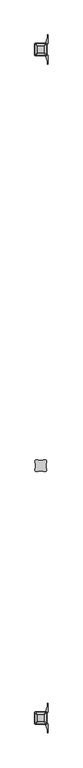
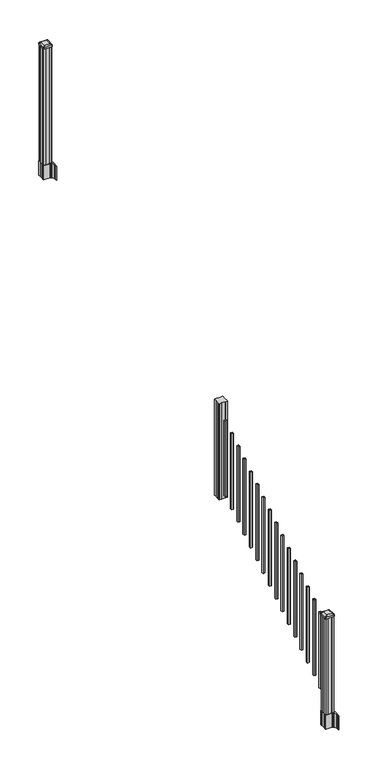
"""IFC4 building model written with IfcOpenShell, lengths in millimetres: railing geometry."""

from ifc_helpers import new_model, si_unit, point, frame, frame_2d, origin, place, context, project, spatial, polyline, circle_curve, trimmed, segment, composite_curve, outline, extrude, source, transform, mapped, element, save
from ifc_brep_helpers import plane_surface, extruded_surface, advanced_brep


def railing_b894f63a(model_context):
    return source(origin(), model_context, "Body", "SolidModel", [
        extrude(outline(polyline([(7521.1958284, -5880.2624681), (7501.5743284, -5880.2624681), (7500.8123284, -5878.6749681), (7462.2043284, -5878.6749681), (7461.4423284, -5880.2624681), (7441.8208284, -5880.2624681), (7440.2333284, -5878.6749681), (7440.2333284, -5859.0534681), (7441.8208284, -5858.2914681), (7441.8208284, -5819.6834681), (7440.2333284, -5818.9214681), (7440.2333284, -5799.2999681), (7441.8208284, -5797.7124681), (7461.4423284, -5797.7124681), (7462.2043284, -5799.2999681), (7500.8123284, -5799.2999681), (7501.5743284, -5797.7124681), (7521.1958284, -5797.7124681), (7522.7833284, -5799.2999681), (7522.7833284, -5818.9214681), (7521.1958284, -5819.6834681), (7521.1958284, -5858.2914681), (7522.7833284, -5859.0534681), (7522.7833284, -5878.6749681), (7521.1958284, -5880.2624681)])), frame((0.0, 0.0, 1334.77), z_axis=(0.0, 0.0, 1.0), x_axis=(1.0, 0.0, 0.0)), (0.0, 0.0, 1.0), 1031.364263),
        extrude(outline(polyline([(7471.9833284, -5929.5384681), (7471.9833284, -5910.4884681), (7491.0333284, -5910.4884681), (7491.0333284, -5929.5384681), (7471.9833284, -5929.5384681)]), holes=[polyline([(7472.3802034, -5929.1415931), (7490.6364534, -5929.1415931), (7490.6364534, -5910.8853431), (7472.3802034, -5910.8853431), (7472.3802034, -5929.1415931)])]), frame((0.0, 0.0, 1385.7246281), z_axis=(0.0, 0.0, 1.0), x_axis=(1.0, 0.0, 0.0)), (0.0, 0.0, 1.0), 812.8041219),
        extrude(outline(polyline([(7471.9833284, -6040.7904681), (7471.9833284, -6021.7404681), (7491.0333284, -6021.7404681), (7491.0333284, -6040.7904681), (7471.9833284, -6040.7904681)]), holes=[polyline([(7472.3802034, -6040.3935931), (7490.6364534, -6040.3935931), (7490.6364534, -6022.1373431), (7472.3802034, -6022.1373431), (7472.3802034, -6040.3935931)])]), frame((0.0, 0.0, 1316.1921281), z_axis=(0.0, 0.0, 1.0), x_axis=(1.0, 0.0, 0.0)), (0.0, 0.0, 1.0), 812.8041219),
        extrude(outline(polyline([(7471.9833284, -6152.0424681), (7471.9833284, -6132.9924681), (7491.0333284, -6132.9924681), (7491.0333284, -6152.0424681), (7471.9833284, -6152.0424681)]), holes=[polyline([(7472.3802034, -6151.6455931), (7490.6364534, -6151.6455931), (7490.6364534, -6133.3893431), (7472.3802034, -6133.3893431), (7472.3802034, -6151.6455931)])]), frame((0.0, 0.0, 1246.6596281), z_axis=(0.0, 0.0, 1.0), x_axis=(1.0, 0.0, 0.0)), (0.0, 0.0, 1.0), 812.8041219),
        extrude(outline(polyline([(7471.9833284, -6263.2944681), (7471.9833284, -6244.2444681), (7491.0333284, -6244.2444681), (7491.0333284, -6263.2944681), (7471.9833284, -6263.2944681)]), holes=[polyline([(7472.3802034, -6262.8975931), (7490.6364534, -6262.8975931), (7490.6364534, -6244.6413431), (7472.3802034, -6244.6413431), (7472.3802034, -6262.8975931)])]), frame((0.0, 0.0, 1177.1271281), z_axis=(0.0, 0.0, 1.0), x_axis=(1.0, 0.0, 0.0)), (0.0, 0.0, 1.0), 812.8041219),
        extrude(outline(polyline([(7471.9833284, -6374.5464681), (7471.9833284, -6355.4964681), (7491.0333284, -6355.4964681), (7491.0333284, -6374.5464681), (7471.9833284, -6374.5464681)]), holes=[polyline([(7472.3802034, -6374.1495931), (7490.6364534, -6374.1495931), (7490.6364534, -6355.8933431), (7472.3802034, -6355.8933431), (7472.3802034, -6374.1495931)])]), frame((0.0, 0.0, 1107.5946281), z_axis=(0.0, 0.0, 1.0), x_axis=(1.0, 0.0, 0.0)), (0.0, 0.0, 1.0), 812.8041219),
        extrude(outline(polyline([(7471.9833284, -6485.7984681), (7471.9833284, -6466.7484681), (7491.0333284, -6466.7484681), (7491.0333284, -6485.7984681), (7471.9833284, -6485.7984681)]), holes=[polyline([(7472.3802034, -6485.4015931), (7490.6364534, -6485.4015931), (7490.6364534, -6467.1453431), (7472.3802034, -6467.1453431), (7472.3802034, -6485.4015931)])]), frame((0.0, 0.0, 1038.0621281), z_axis=(0.0, 0.0, 1.0), x_axis=(1.0, 0.0, 0.0)), (0.0, 0.0, 1.0), 812.8041219),
        extrude(outline(polyline([(7471.9833284, -6597.0504681), (7471.9833284, -6578.0004681), (7491.0333284, -6578.0004681), (7491.0333284, -6597.0504681), (7471.9833284, -6597.0504681)]), holes=[polyline([(7472.3802034, -6596.6535931), (7490.6364534, -6596.6535931), (7490.6364534, -6578.3973431), (7472.3802034, -6578.3973431), (7472.3802034, -6596.6535931)])]), frame((0.0, 0.0, 968.5296281), z_axis=(0.0, 0.0, 1.0), x_axis=(1.0, 0.0, 0.0)), (0.0, 0.0, 1.0), 812.8041219),
        extrude(outline(polyline([(7471.9833284, -6708.3024681), (7471.9833284, -6689.2524681), (7491.0333284, -6689.2524681), (7491.0333284, -6708.3024681), (7471.9833284, -6708.3024681)]), holes=[polyline([(7472.3802034, -6707.9055931), (7490.6364534, -6707.9055931), (7490.6364534, -6689.6493431), (7472.3802034, -6689.6493431), (7472.3802034, -6707.9055931)])]), frame((0.0, 0.0, 898.9971281), z_axis=(0.0, 0.0, 1.0), x_axis=(1.0, 0.0, 0.0)), (0.0, 0.0, 1.0), 812.8041219),
        extrude(outline(polyline([(7471.9833284, -6819.5544681), (7471.9833284, -6800.5044681), (7491.0333284, -6800.5044681), (7491.0333284, -6819.5544681), (7471.9833284, -6819.5544681)]), holes=[polyline([(7472.3802034, -6819.1575931), (7490.6364534, -6819.1575931), (7490.6364534, -6800.9013431), (7472.3802034, -6800.9013431), (7472.3802034, -6819.1575931)])]), frame((0.0, 0.0, 829.4646281), z_axis=(0.0, 0.0, 1.0), x_axis=(1.0, 0.0, 0.0)), (0.0, 0.0, 1.0), 812.8041219),
        extrude(outline(polyline([(7471.9833284, -6930.8064681), (7471.9833284, -6911.7564681), (7491.0333284, -6911.7564681), (7491.0333284, -6930.8064681), (7471.9833284, -6930.8064681)]), holes=[polyline([(7472.3802034, -6930.4095931), (7490.6364534, -6930.4095931), (7490.6364534, -6912.1533431), (7472.3802034, -6912.1533431), (7472.3802034, -6930.4095931)])]), frame((0.0, 0.0, 759.9321281), z_axis=(0.0, 0.0, 1.0), x_axis=(1.0, 0.0, 0.0)), (0.0, 0.0, 1.0), 812.8041219),
        extrude(outline(polyline([(7471.9833284, -7042.0584681), (7471.9833284, -7023.0084681), (7491.0333284, -7023.0084681), (7491.0333284, -7042.0584681), (7471.9833284, -7042.0584681)]), holes=[polyline([(7472.3802034, -7041.6615931), (7490.6364534, -7041.6615931), (7490.6364534, -7023.4053431), (7472.3802034, -7023.4053431), (7472.3802034, -7041.6615931)])]), frame((0.0, 0.0, 690.3996281), z_axis=(0.0, 0.0, 1.0), x_axis=(1.0, 0.0, 0.0)), (0.0, 0.0, 1.0), 812.8041219),
        extrude(outline(polyline([(7471.9833284, -7153.3104681), (7471.9833284, -7134.2604681), (7491.0333284, -7134.2604681), (7491.0333284, -7153.3104681), (7471.9833284, -7153.3104681)]), holes=[polyline([(7472.3802034, -7152.9135931), (7490.6364534, -7152.9135931), (7490.6364534, -7134.6573431), (7472.3802034, -7134.6573431), (7472.3802034, -7152.9135931)])]), frame((0.0, 0.0, 620.8671281), z_axis=(0.0, 0.0, 1.0), x_axis=(1.0, 0.0, 0.0)), (0.0, 0.0, 1.0), 812.8041219),
        extrude(outline(polyline([(7471.9833284, -7264.5624681), (7471.9833284, -7245.5124681), (7491.0333284, -7245.5124681), (7491.0333284, -7264.5624681), (7471.9833284, -7264.5624681)]), holes=[polyline([(7472.3802034, -7264.1655931), (7490.6364534, -7264.1655931), (7490.6364534, -7245.9093431), (7472.3802034, -7245.9093431), (7472.3802034, -7264.1655931)])]), frame((0.0, 0.0, 551.3346281), z_axis=(0.0, 0.0, 1.0), x_axis=(1.0, 0.0, 0.0)), (0.0, 0.0, 1.0), 812.8041219),
        extrude(outline(polyline([(7471.9833284, -7375.8144681), (7471.9833284, -7356.7644681), (7491.0333284, -7356.7644681), (7491.0333284, -7375.8144681), (7471.9833284, -7375.8144681)]), holes=[polyline([(7472.3802034, -7375.4175931), (7490.6364534, -7375.4175931), (7490.6364534, -7357.1613431), (7472.3802034, -7357.1613431), (7472.3802034, -7375.4175931)])]), frame((0.0, 0.0, 481.8021281), z_axis=(0.0, 0.0, 1.0), x_axis=(1.0, 0.0, 0.0)), (0.0, 0.0, 1.0), 812.8041219),
        extrude(outline(polyline([(7471.9833284, -7487.0664681), (7471.9833284, -7468.0164681), (7491.0333284, -7468.0164681), (7491.0333284, -7487.0664681), (7471.9833284, -7487.0664681)]), holes=[polyline([(7472.3802034, -7486.6695931), (7490.6364534, -7486.6695931), (7490.6364534, -7468.4133431), (7472.3802034, -7468.4133431), (7472.3802034, -7486.6695931)])]), frame((0.0, 0.0, 412.2696281), z_axis=(0.0, 0.0, 1.0), x_axis=(1.0, 0.0, 0.0)), (0.0, 0.0, 1.0), 812.8041219),
        extrude(outline(polyline([(7471.9833284, -7598.3184681), (7471.9833284, -7579.2684681), (7491.0333284, -7579.2684681), (7491.0333284, -7598.3184681), (7471.9833284, -7598.3184681)]), holes=[polyline([(7472.3802034, -7597.9215931), (7490.6364534, -7597.9215931), (7490.6364534, -7579.6653431), (7472.3802034, -7579.6653431), (7472.3802034, -7597.9215931)])]), frame((0.0, 0.0, 342.7371281), z_axis=(0.0, 0.0, 1.0), x_axis=(1.0, 0.0, 0.0)), (0.0, 0.0, 1.0), 812.8041219),
        extrude(outline(polyline([(7521.1958284, -2792.8924681), (7501.5743284, -2792.8924681), (7500.8123284, -2791.3049681), (7462.2043284, -2791.3049681), (7461.4423284, -2792.8924681), (7441.8208284, -2792.8924681), (7440.2333284, -2791.3049681), (7440.2333284, -2771.6834681), (7441.8208284, -2770.9214681), (7441.8208284, -2732.3134681), (7440.2333284, -2731.5514681), (7440.2333284, -2711.9299681), (7441.8208284, -2710.3424681), (7461.4423284, -2710.3424681), (7462.2043284, -2711.9299681), (7500.8123284, -2711.9299681), (7501.5743284, -2710.3424681), (7521.1958284, -2710.3424681), (7522.7833284, -2711.9299681), (7522.7833284, -2731.5514681), (7521.1958284, -2732.3134681), (7521.1958284, -2770.9214681), (7522.7833284, -2771.6834681), (7522.7833284, -2791.3049681), (7521.1958284, -2792.8924681)])), frame((0.0, 0.0, 3048.0), z_axis=(0.0, 0.0, 1.0), x_axis=(1.0, 0.0, 0.0)), (0.0, 0.0, 1.0), 1247.740513),
        extrude(outline(composite_curve([segment(polyline([(7438.7728284, -2769.003563), (7438.7728284, -2734.2313732), (7437.1853284, -2733.4693732), (7437.1853284, -2710.6674452), (7440.5583054, -2707.2944681), (7502.0179763, -2707.2944681), (7502.0179763, -2706.3737181), (7507.3355201, -2706.3737181), (7507.3355201, -2704.9194634), (7512.4200498, -2704.9194634), (7512.4200498, -2703.6354396), (7514.0873221, -2703.6354396)]), True, "CONTINUOUS"), segment(trimmed(circle_curve(frame_2d((7514.0873221, -2696.5759797)), 7.0594599), [point((7514.0873221, -2703.6354396))], [point((7520.8545849, -2698.5859864))], True, "CARTESIAN"), True, "CONTINUOUS"), segment(polyline([(7520.8545849, -2698.5859864), (7528.7287792, -2672.0752573)]), True, "CONTINUOUS"), segment(trimmed(circle_curve(frame_2d((7473.9442659, -2655.8032076)), 57.15), [point((7528.7287792, -2672.0752573))], [point((7531.0942659, -2655.8032076))], True, "CARTESIAN"), True, "CONTINUOUS"), segment(polyline([(7531.0942659, -2655.8032076), (7531.0942659, -2643.7944681), (7534.0942659, -2643.7944681), (7534.0942659, -2708.8819681), (7525.8313284, -2720.2202594), (7525.8313284, -2733.4693732), (7524.2438284, -2734.2313732), (7524.2438284, -2769.003563), (7525.8313284, -2769.765563), (7525.8313284, -2783.0146768), (7534.0942659, -2794.3529681), (7534.0942659, -2859.4404681), (7531.0942659, -2859.4404681), (7531.0942659, -2847.4317285)]), True, "CONTINUOUS"), segment(trimmed(circle_curve(frame_2d((7473.9442659, -2847.4317285)), 57.15), [point((7531.0942659, -2847.4317285))], [point((7528.7287792, -2831.1596789))], True, "CARTESIAN"), True, "CONTINUOUS"), segment(polyline([(7528.7287792, -2831.1596789), (7520.8545849, -2804.6489498)]), True, "CONTINUOUS"), segment(trimmed(circle_curve(frame_2d((7514.0873221, -2806.6589565)), 7.0594599), [point((7520.8545849, -2804.6489498))], [point((7514.0873221, -2799.5994966))], True, "CARTESIAN"), True, "CONTINUOUS"), segment(polyline([(7514.0873221, -2799.5994966), (7512.4200498, -2799.5994966), (7512.4200498, -2798.3154728), (7507.3355201, -2798.3154728), (7507.3355201, -2796.8612181), (7502.0179763, -2796.8612181), (7502.0179763, -2795.9404681), (7440.5583054, -2795.9404681), (7437.1853284, -2792.567491), (7437.1853284, -2769.765563), (7438.7728284, -2769.003563)]), True, "CONTINUOUS")], self_intersect=False), holes=[polyline([(7522.7833284, -2711.9299681), (7521.1958284, -2710.3424681), (7484.2715458, -2710.3424681), (7441.8208284, -2710.3424681), (7440.2333284, -2711.9299681), (7440.2333284, -2791.3049681), (7441.8208284, -2792.8924681), (7484.2715458, -2792.8924681), (7521.1958284, -2792.8924681), (7522.7833284, -2791.3049681), (7522.7833284, -2711.9299681)])]), frame((0.0, 0.0, 2895.6), z_axis=(0.0, 0.0, 1.0), x_axis=(1.0, 0.0, 0.0)), (0.0, 0.0, 1.0), 152.4),
        advanced_brep(
        [(7507.3052034, -2780.5893431, 4324.315513), (7510.4802034, -2777.4143431, 4324.315513), (7510.4802034, -2725.8205931, 4324.315513), (7507.3052034, -2722.6455931, 4324.315513), (7455.7114534, -2722.6455931, 4324.315513), (7452.5364534, -2725.8205931, 4324.315513), (7452.5364534, -2777.4143431, 4324.315513), (7455.7114534, -2780.5893431, 4324.315513), (7523.5770784, -2796.8612181, 4313.012513), (7439.4395784, -2796.8612181, 4313.012513), (7436.2645784, -2793.6862181, 4313.012513), (7436.2645784, -2709.5487181, 4313.012513), (7439.4395784, -2706.3737181, 4313.012513), (7523.5770784, -2706.3737181, 4313.012513), (7526.7520784, -2709.5487181, 4313.012513), (7526.7520784, -2793.6862181, 4313.012513)],
        [
            (0, 1, circle_curve(frame((7507.3052034, -2777.4143431, 4324.315513), z_axis=(0.0, 0.0, 1.0), x_axis=(0.0, 1.0, 0.0)), 3.175)),
            (1, 2),
            (2, 3, circle_curve(frame((7507.3052034, -2725.8205931, 4324.315513), z_axis=(0.0, 0.0, 1.0), x_axis=(0.0, 1.0, 0.0)), 3.175)),
            (3, 4),
            (4, 5, circle_curve(frame((7455.7114534, -2725.8205931, 4324.315513), z_axis=(0.0, 0.0, 1.0), x_axis=(0.0, 1.0, 0.0)), 3.175)),
            (5, 6),
            (6, 7, circle_curve(frame((7455.7114534, -2777.4143431, 4324.315513), z_axis=(0.0, 0.0, 1.0), x_axis=(0.0, 1.0, 0.0)), 3.175)),
            (7, 0),
            (8, 9),
            (9, 10, circle_curve(frame((7439.4395784, -2793.6862181, 4313.012513), z_axis=(0.0, 0.0, -1.0), x_axis=(0.0, 1.0, 0.0)), 3.175)),
            (10, 11),
            (11, 12, circle_curve(frame((7439.4395784, -2709.5487181, 4313.012513), z_axis=(0.0, 0.0, -1.0), x_axis=(0.0, 1.0, 0.0)), 3.175)),
            (12, 13),
            (13, 14, circle_curve(frame((7523.5770784, -2709.5487181, 4313.012513), z_axis=(0.0, 0.0, -1.0), x_axis=(0.0, 1.0, 0.0)), 3.175)),
            (14, 15),
            (15, 8, circle_curve(frame((7523.5770784, -2793.6862181, 4313.012513), z_axis=(0.0, 0.0, -1.0), x_axis=(0.0, 1.0, 0.0)), 3.175)),
            (15, 1),
            (0, 8),
            (14, 2),
            (13, 3),
            (12, 4),
            (11, 5),
            (10, 6),
            (9, 7),
        ],
        [
            plane_surface(frame((7481.5083284, -2751.6174681, 4324.315513), z_axis=(0.0, 0.0, 1.0), x_axis=(1.0, 0.0, 0.0))),
            plane_surface(frame((7481.5083284, -2751.6174681, 4313.012513), z_axis=(0.0, 0.0, -1.0), x_axis=(1.0, 0.0, 0.0))),
            extruded_surface(trimmed(circle_curve(frame((7523.5770784, -2793.6862181, 4313.012513), z_axis=(0.0, 0.0, 1.0), x_axis=(0.0, 1.0, 0.0)), 3.175), [point((7523.5770784, -2796.8612181, 4313.012513))], [point((7526.7520784, -2793.6862181, 4313.012513))], True, "CARTESIAN"), (-16.271874999999454, 16.27187499999991, 11.302999999999884), 25.63797263886571),
            plane_surface(frame((7526.7520784, -2751.6174681, 4313.012513), z_axis=(0.5705009161540687, 0.0, 0.8212969649690472), x_axis=(0.0, 1.0, 0.0))),
            extruded_surface(trimmed(circle_curve(frame((7523.5770784, -2709.5487181, 4313.012513), z_axis=(0.0, 0.0, 1.0), x_axis=(0.0, 1.0, 0.0)), 3.175), [point((7526.7520784, -2709.5487181, 4313.012513))], [point((7523.5770784, -2706.3737181, 4313.012513))], True, "CARTESIAN"), (-16.271874999999454, -16.271875000000364, 11.302999999999884), 25.637972638865996),
            plane_surface(frame((7481.5083284, -2706.3737181, 4313.012513), z_axis=(0.0, 0.5705009161540291, 0.8212969649690747), x_axis=(-1.0, 0.0, 0.0))),
            extruded_surface(trimmed(circle_curve(frame((7439.4395784, -2709.5487181, 4313.012513), z_axis=(0.0, 0.0, 1.0), x_axis=(0.0, 1.0, 0.0)), 3.175), [point((7439.4395784, -2706.3737181, 4313.012513))], [point((7436.2645784, -2709.5487181, 4313.012513))], True, "CARTESIAN"), (16.271875000000364, -16.271875000000364, 11.302999999999884), 25.63797263886657),
            plane_surface(frame((7436.2645784, -2751.6174681, 4313.012513), z_axis=(-0.5705009161540233, 0.0, 0.8212969649690787), x_axis=(0.0, -1.0, 0.0))),
            extruded_surface(trimmed(circle_curve(frame((7439.4395784, -2793.6862181, 4313.012513), z_axis=(0.0, 0.0, 1.0), x_axis=(0.0, 1.0, 0.0)), 3.175), [point((7436.2645784, -2793.6862181, 4313.012513))], [point((7439.4395784, -2796.8612181, 4313.012513))], True, "CARTESIAN"), (16.271875000000364, 16.27187499999991, 11.302999999999884), 25.637972638866284),
            plane_surface(frame((7481.5083284, -2796.8612181, 4313.012513), z_axis=(0.0, -0.570500916154034, 0.8212969649690713), x_axis=(1.0, 0.0, 0.0))),
        ],
        [
            (0, [[1, 2, 3, 4, 5, 6, 7, 8]]),
            (1, [[9, 10, 11, 12, 13, 14, 15, 16]]),
            (2, [[-16, 17, -1, 18]]),
            (3, [[-15, 19, -2, -17]]),
            (4, [[-14, 20, -3, -19]]),
            (5, [[-13, 21, -4, -20]]),
            (6, [[-12, 22, -5, -21]]),
            (7, [[-11, 23, -6, -22]]),
            (8, [[-10, 24, -7, -23]]),
            (9, [[-9, -18, -8, -24]]),
        ],
    ),
        extrude(outline(composite_curve([segment(polyline([(7523.5770784, -2796.8612181), (7439.4395784, -2796.8612181)]), True, "CONTINUOUS"), segment(trimmed(circle_curve(frame_2d((7439.4395784, -2793.6862181)), 3.175), [point((7439.4395784, -2796.8612181))], [point((7436.2645784, -2793.6862181))], False, "CARTESIAN"), True, "CONTINUOUS"), segment(polyline([(7436.2645784, -2793.6862181), (7436.2645784, -2709.5487181)]), True, "CONTINUOUS"), segment(trimmed(circle_curve(frame_2d((7439.4395784, -2709.5487181)), 3.175), [point((7436.2645784, -2709.5487181))], [point((7439.4395784, -2706.3737181))], False, "CARTESIAN"), True, "CONTINUOUS"), segment(polyline([(7439.4395784, -2706.3737181), (7523.5770784, -2706.3737181)]), True, "CONTINUOUS"), segment(trimmed(circle_curve(frame_2d((7523.5770784, -2709.5487181)), 3.175), [point((7523.5770784, -2706.3737181))], [point((7526.7520784, -2709.5487181))], False, "CARTESIAN"), True, "CONTINUOUS"), segment(polyline([(7526.7520784, -2709.5487181), (7526.7520784, -2793.6862181)]), True, "CONTINUOUS"), segment(trimmed(circle_curve(frame_2d((7523.5770784, -2793.6862181)), 3.175), [point((7526.7520784, -2793.6862181))], [point((7523.5770784, -2796.8612181))], False, "CARTESIAN"), True, "CONTINUOUS")], self_intersect=False)), frame((0.0, 0.0, 4295.740513), z_axis=(0.0, 0.0, 1.0), x_axis=(1.0, 0.0, 0.0)), (0.0, 0.0, 1.0), 17.272),
        extrude(outline(composite_curve([segment(polyline([(7438.7728284, -7728.607563), (7438.7728284, -7693.8353732), (7437.1853284, -7693.0733732), (7437.1853284, -7670.2714452), (7440.5583054, -7666.8984681), (7502.0179763, -7666.8984681), (7502.0179763, -7665.9777181), (7507.3355201, -7665.9777181), (7507.3355201, -7664.5234634), (7512.4200498, -7664.5234634), (7512.4200498, -7663.2394396), (7514.0873221, -7663.2394396)]), True, "CONTINUOUS"), segment(trimmed(circle_curve(frame_2d((7514.0873221, -7656.1799797)), 7.0594599), [point((7514.0873221, -7663.2394396))], [point((7520.8545849, -7658.1899864))], True, "CARTESIAN"), True, "CONTINUOUS"), segment(polyline([(7520.8545849, -7658.1899864), (7528.7287792, -7631.6792573)]), True, "CONTINUOUS"), segment(trimmed(circle_curve(frame_2d((7473.9442659, -7615.4072076)), 57.15), [point((7528.7287792, -7631.6792573))], [point((7531.0942659, -7615.4072076))], True, "CARTESIAN"), True, "CONTINUOUS"), segment(polyline([(7531.0942659, -7615.4072076), (7531.0942659, -7603.3984681), (7534.0942659, -7603.3984681), (7534.0942659, -7668.4859681), (7525.8313284, -7679.8242594), (7525.8313284, -7693.0733732), (7524.2438284, -7693.8353732), (7524.2438284, -7728.607563), (7525.8313284, -7729.369563), (7525.8313284, -7742.6186768), (7534.0942659, -7753.9569681), (7534.0942659, -7819.0444681), (7531.0942659, -7819.0444681), (7531.0942659, -7807.0357285)]), True, "CONTINUOUS"), segment(trimmed(circle_curve(frame_2d((7473.9442659, -7807.0357285)), 57.15), [point((7531.0942659, -7807.0357285))], [point((7528.7287792, -7790.7636789))], True, "CARTESIAN"), True, "CONTINUOUS"), segment(polyline([(7528.7287792, -7790.7636789), (7520.8545849, -7764.2529498)]), True, "CONTINUOUS"), segment(trimmed(circle_curve(frame_2d((7514.0873221, -7766.2629565)), 7.0594599), [point((7520.8545849, -7764.2529498))], [point((7514.0873221, -7759.2034966))], True, "CARTESIAN"), True, "CONTINUOUS"), segment(polyline([(7514.0873221, -7759.2034966), (7512.4200498, -7759.2034966), (7512.4200498, -7757.9194728), (7507.3355201, -7757.9194728), (7507.3355201, -7756.4652181), (7502.0179763, -7756.4652181), (7502.0179763, -7755.5444681), (7440.5583054, -7755.5444681), (7437.1853284, -7752.171491), (7437.1853284, -7729.369563), (7438.7728284, -7728.607563)]), True, "CONTINUOUS")], self_intersect=False), holes=[polyline([(7522.7833284, -7671.5339681), (7521.1958284, -7669.9464681), (7484.2715458, -7669.9464681), (7441.8208284, -7669.9464681), (7440.2333284, -7671.5339681), (7440.2333284, -7750.9089681), (7441.8208284, -7752.4964681), (7484.2715458, -7752.4964681), (7521.1958284, -7752.4964681), (7522.7833284, -7750.9089681), (7522.7833284, -7671.5339681)])]), frame((0.0, 0.0, 12.22375), z_axis=(0.0, 0.0, 1.0), x_axis=(1.0, 0.0, 0.0)), (0.0, 0.0, 1.0), 152.4),
        advanced_brep(
        [(7507.3052034, -7740.1933431, 1224.563013), (7510.4802034, -7737.0183431, 1224.563013), (7510.4802034, -7685.4245931, 1224.563013), (7507.3052034, -7682.2495931, 1224.563013), (7455.7114534, -7682.2495931, 1224.563013), (7452.5364534, -7685.4245931, 1224.563013), (7452.5364534, -7737.0183431, 1224.563013), (7455.7114534, -7740.1933431, 1224.563013), (7523.5770784, -7756.4652181, 1213.260013), (7439.4395784, -7756.4652181, 1213.260013), (7436.2645784, -7753.2902181, 1213.260013), (7436.2645784, -7669.1527181, 1213.260013), (7439.4395784, -7665.9777181, 1213.260013), (7523.5770784, -7665.9777181, 1213.260013), (7526.7520784, -7669.1527181, 1213.260013), (7526.7520784, -7753.2902181, 1213.260013)],
        [
            (0, 1, circle_curve(frame((7507.3052034, -7737.0183431, 1224.563013), z_axis=(0.0, 0.0, 1.0), x_axis=(0.0, 1.0, 0.0)), 3.175)),
            (1, 2),
            (2, 3, circle_curve(frame((7507.3052034, -7685.4245931, 1224.563013), z_axis=(0.0, 0.0, 1.0), x_axis=(0.0, 1.0, 0.0)), 3.175)),
            (3, 4),
            (4, 5, circle_curve(frame((7455.7114534, -7685.4245931, 1224.563013), z_axis=(0.0, 0.0, 1.0), x_axis=(0.0, 1.0, 0.0)), 3.175)),
            (5, 6),
            (6, 7, circle_curve(frame((7455.7114534, -7737.0183431, 1224.563013), z_axis=(0.0, 0.0, 1.0), x_axis=(0.0, 1.0, 0.0)), 3.175)),
            (7, 0),
            (8, 9),
            (9, 10, circle_curve(frame((7439.4395784, -7753.2902181, 1213.260013), z_axis=(0.0, 0.0, -1.0), x_axis=(0.0, 1.0, 0.0)), 3.175)),
            (10, 11),
            (11, 12, circle_curve(frame((7439.4395784, -7669.1527181, 1213.260013), z_axis=(0.0, 0.0, -1.0), x_axis=(0.0, 1.0, 0.0)), 3.175)),
            (12, 13),
            (13, 14, circle_curve(frame((7523.5770784, -7669.1527181, 1213.260013), z_axis=(0.0, 0.0, -1.0), x_axis=(0.0, 1.0, 0.0)), 3.175)),
            (14, 15),
            (15, 8, circle_curve(frame((7523.5770784, -7753.2902181, 1213.260013), z_axis=(0.0, 0.0, -1.0), x_axis=(0.0, 1.0, 0.0)), 3.175)),
            (15, 1),
            (0, 8),
            (14, 2),
            (13, 3),
            (12, 4),
            (11, 5),
            (10, 6),
            (9, 7),
        ],
        [
            plane_surface(frame((7481.5083284, -7711.2214681, 1224.563013), z_axis=(0.0, 0.0, 1.0), x_axis=(1.0, 0.0, 0.0))),
            plane_surface(frame((7481.5083284, -7711.2214681, 1213.260013), z_axis=(0.0, 0.0, -1.0), x_axis=(1.0, 0.0, 0.0))),
            extruded_surface(trimmed(circle_curve(frame((7523.5770784, -7753.2902181, 1213.260013), z_axis=(0.0, 0.0, 1.0), x_axis=(0.0, 1.0, 0.0)), 3.175), [point((7523.5770784, -7756.4652181, 1213.260013))], [point((7526.7520784, -7753.2902181, 1213.260013))], True, "CARTESIAN"), (-16.271874999999454, 16.271875000000364, 11.302999999999884), 25.637972638865996),
            plane_surface(frame((7526.7520784, -7711.2214681, 1213.260013), z_axis=(0.5705009161540778, 0.0, 0.8212969649690408), x_axis=(0.0, 1.0, 0.0))),
            extruded_surface(trimmed(circle_curve(frame((7523.5770784, -7669.1527181, 1213.260013), z_axis=(0.0, 0.0, 1.0), x_axis=(0.0, 1.0, 0.0)), 3.175), [point((7526.7520784, -7669.1527181, 1213.260013))], [point((7523.5770784, -7665.9777181, 1213.260013))], True, "CARTESIAN"), (-16.271874999999454, -16.271874999999454, 11.302999999999884), 25.63797263886542),
            plane_surface(frame((7481.5083284, -7665.9777181, 1213.260013), z_axis=(0.0, 0.5705009161540291, 0.8212969649690747), x_axis=(-1.0, 0.0, 0.0))),
            extruded_surface(trimmed(circle_curve(frame((7439.4395784, -7669.1527181, 1213.260013), z_axis=(0.0, 0.0, 1.0), x_axis=(0.0, 1.0, 0.0)), 3.175), [point((7439.4395784, -7665.9777181, 1213.260013))], [point((7436.2645784, -7669.1527181, 1213.260013))], True, "CARTESIAN"), (16.271875000000364, -16.271874999999454, 11.302999999999884), 25.637972638865996),
            plane_surface(frame((7436.2645784, -7711.2214681, 1213.260013), z_axis=(-0.5705009161540142, 0.0, 0.8212969649690851), x_axis=(0.0, -1.0, 0.0))),
            extruded_surface(trimmed(circle_curve(frame((7439.4395784, -7753.2902181, 1213.260013), z_axis=(0.0, 0.0, 1.0), x_axis=(0.0, 1.0, 0.0)), 3.175), [point((7436.2645784, -7753.2902181, 1213.260013))], [point((7439.4395784, -7756.4652181, 1213.260013))], True, "CARTESIAN"), (16.271875000000364, 16.271875000000364, 11.302999999999884), 25.63797263886657),
            plane_surface(frame((7481.5083284, -7756.4652181, 1213.260013), z_axis=(0.0, -0.570500916154034, 0.8212969649690713), x_axis=(1.0, 0.0, 0.0))),
        ],
        [
            (0, [[1, 2, 3, 4, 5, 6, 7, 8]]),
            (1, [[9, 10, 11, 12, 13, 14, 15, 16]]),
            (2, [[-16, 17, -1, 18]]),
            (3, [[-15, 19, -2, -17]]),
            (4, [[-14, 20, -3, -19]]),
            (5, [[-13, 21, -4, -20]]),
            (6, [[-12, 22, -5, -21]]),
            (7, [[-11, 23, -6, -22]]),
            (8, [[-10, 24, -7, -23]]),
            (9, [[-9, -18, -8, -24]]),
        ],
    ),
        extrude(outline(composite_curve([segment(polyline([(7523.5770784, -7756.4652181), (7439.4395784, -7756.4652181)]), True, "CONTINUOUS"), segment(trimmed(circle_curve(frame_2d((7439.4395784, -7753.2902181)), 3.175), [point((7439.4395784, -7756.4652181))], [point((7436.2645784, -7753.2902181))], False, "CARTESIAN"), True, "CONTINUOUS"), segment(polyline([(7436.2645784, -7753.2902181), (7436.2645784, -7669.1527181)]), True, "CONTINUOUS"), segment(trimmed(circle_curve(frame_2d((7439.4395784, -7669.1527181)), 3.175), [point((7436.2645784, -7669.1527181))], [point((7439.4395784, -7665.9777181))], False, "CARTESIAN"), True, "CONTINUOUS"), segment(polyline([(7439.4395784, -7665.9777181), (7523.5770784, -7665.9777181)]), True, "CONTINUOUS"), segment(trimmed(circle_curve(frame_2d((7523.5770784, -7669.1527181)), 3.175), [point((7523.5770784, -7665.9777181))], [point((7526.7520784, -7669.1527181))], False, "CARTESIAN"), True, "CONTINUOUS"), segment(polyline([(7526.7520784, -7669.1527181), (7526.7520784, -7753.2902181)]), True, "CONTINUOUS"), segment(trimmed(circle_curve(frame_2d((7523.5770784, -7753.2902181)), 3.175), [point((7526.7520784, -7753.2902181))], [point((7523.5770784, -7756.4652181))], False, "CARTESIAN"), True, "CONTINUOUS")], self_intersect=False)), frame((0.0, 0.0, 1195.988013), z_axis=(0.0, 0.0, 1.0), x_axis=(1.0, 0.0, 0.0)), (0.0, 0.0, 1.0), 17.272),
        extrude(outline(polyline([(7521.1958284, -7752.4964681), (7501.5743284, -7752.4964681), (7500.8123284, -7750.9089681), (7462.2043284, -7750.9089681), (7461.4423284, -7752.4964681), (7441.8208284, -7752.4964681), (7440.2333284, -7750.9089681), (7440.2333284, -7731.2874681), (7441.8208284, -7730.5254681), (7441.8208284, -7691.9174681), (7440.2333284, -7691.1554681), (7440.2333284, -7671.5339681), (7441.8208284, -7669.9464681), (7461.4423284, -7669.9464681), (7462.2043284, -7671.5339681), (7500.8123284, -7671.5339681), (7501.5743284, -7669.9464681), (7521.1958284, -7669.9464681), (7522.7833284, -7671.5339681), (7522.7833284, -7691.1554681), (7521.1958284, -7691.9174681), (7521.1958284, -7730.5254681), (7522.7833284, -7731.2874681), (7522.7833284, -7750.9089681), (7521.1958284, -7752.4964681)])), frame((0.0, 0.0, 164.62375), z_axis=(0.0, 0.0, 1.0), x_axis=(1.0, 0.0, 0.0)), (0.0, 0.0, 1.0), 1031.364263),
    ])


if __name__ == "__main__":
    model = new_model("IFC4")
    model_context = context("Model", 3, world=origin())
    ifc_project = project(units=[si_unit("LENGTHUNIT", "METRE", prefix="MILLI")], contexts=[model_context])
    site = spatial("IfcSite", under=ifc_project)
    building = spatial("IfcBuilding", under=site)
    placement = place(None, origin())
    railing_shape = railing_b894f63a(model_context)
    element("IfcRailing", 1, at=placement, inside=building, context=model_context, shape_type="MappedRepresentation", body=[
        mapped(railing_shape, transform((0.0, 0.0, 0.0), x_axis=(1.0, 0.0, 0.0), y_axis=(0.0, 1.0, 0.0), z_axis=(0.0, 0.0, 1.0))),
    ])
    save(model, "model.ifc")
